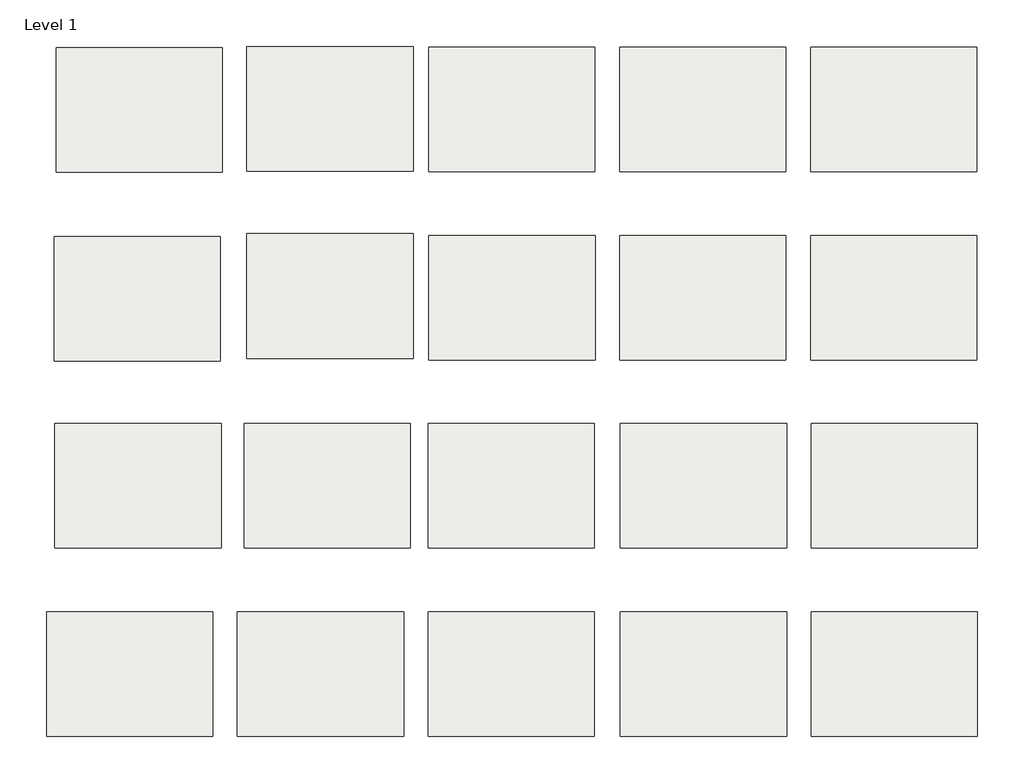
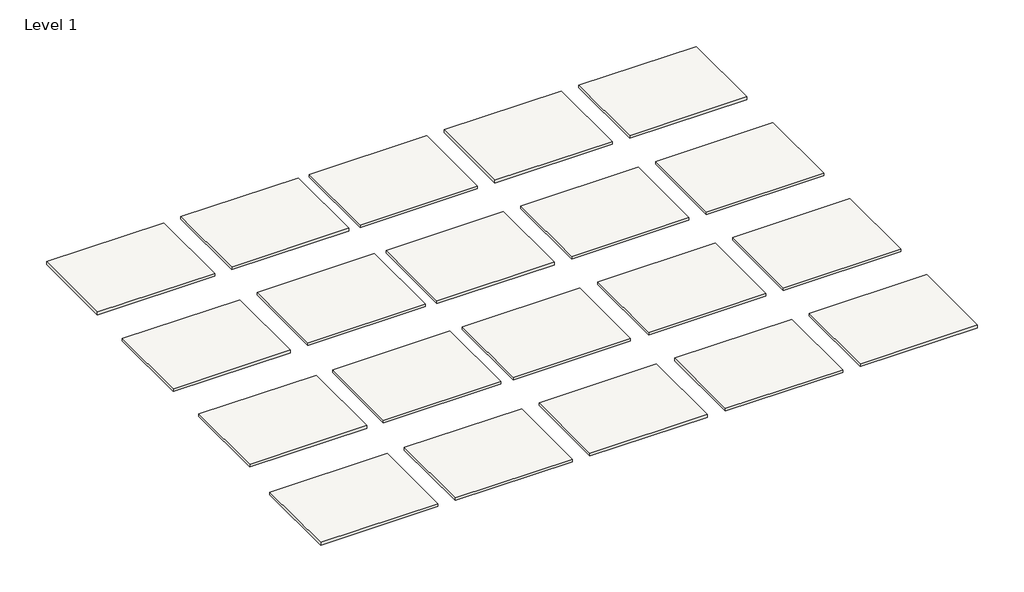
# One storey: 20 slabs.
"""IFC4 building model written with IfcOpenShell, lengths in millimetres."""

from ifc_helpers import new_model, si_unit, frame, origin, place, context, project, spatial, polyline, outline, extrude, element, save

model = new_model("IFC4")

# Units and contexts
model_context = context("Model", 3, world=origin())
ifc_project = project(units=[si_unit("LENGTHUNIT", "METRE", prefix="MILLI")], contexts=[model_context])

# Site, building, storey
site = spatial("IfcSite", under=ifc_project)
building = spatial("IfcBuilding", under=site)
storey = spatial("IfcBuildingStorey", under=building, Name="Level 1", Elevation=0.0)

# Slabs
placement = place(None, origin())
element("IfcSlab", 1, at=placement, inside=storey, context=model_context, shape_type="SweptSolid", body=[
    extrude(outline(polyline([(-8599.5428429, 6494.6866236), (-8599.5428429, 6189.8866236), (-9005.9428429, 6189.8866236), (-9005.9428429, 6494.6866236), (-8599.5428429, 6494.6866236)])), frame((0.0, 0.0, -9.525), z_axis=(0.0, 0.0, 1.0), x_axis=(1.0, 0.0, 0.0)), (0.0, 0.0, 1.0), 9.525),
])
element("IfcSlab", 2, at=placement, inside=storey, context=model_context, shape_type="SweptSolid", body=[
    extrude(outline(polyline([(-8132.7664205, 6497.8102011), (-8132.7664205, 6193.0102011), (-8539.1664205, 6193.0102011), (-8539.1664205, 6497.8102011), (-8132.7664205, 6497.8102011)])), frame((0.0, 0.0, -9.525), z_axis=(0.0, 0.0, 1.0), x_axis=(1.0, 0.0, 0.0)), (0.0, 0.0, 1.0), 9.525),
])
element("IfcSlab", 3, at=placement, inside=storey, context=model_context, shape_type="SweptSolid", body=[
    extrude(outline(polyline([(-7687.9064635, 6496.2484123), (-7687.9064635, 6191.4484123), (-8094.3064635, 6191.4484123), (-8094.3064635, 6496.2484123), (-7687.9064635, 6496.2484123)])), frame((0.0, 0.0, -9.525), z_axis=(0.0, 0.0, 1.0), x_axis=(1.0, 0.0, 0.0)), (0.0, 0.0, 1.0), 9.525),
])
element("IfcSlab", 4, at=placement, inside=storey, context=model_context, shape_type="SweptSolid", body=[
    extrude(outline(polyline([(-7221.1814635, 6496.2484123), (-7221.1814635, 6191.4484123), (-7627.5814635, 6191.4484123), (-7627.5814635, 6496.2484123), (-7221.1814635, 6496.2484123)])), frame((0.0, 0.0, -9.525), z_axis=(0.0, 0.0, 1.0), x_axis=(1.0, 0.0, 0.0)), (0.0, 0.0, 1.0), 9.525),
])
element("IfcSlab", 5, at=placement, inside=storey, context=model_context, shape_type="SweptSolid", body=[
    extrude(outline(polyline([(-6754.4564635, 6496.2484123), (-6754.4564635, 6191.4484123), (-7160.8564635, 6191.4484123), (-7160.8564635, 6496.2484123), (-6754.4564635, 6496.2484123)])), frame((0.0, 0.0, -9.525), z_axis=(0.0, 0.0, 1.0), x_axis=(1.0, 0.0, 0.0)), (0.0, 0.0, 1.0), 9.525),
])
element("IfcSlab", 6, at=placement, inside=storey, context=model_context, shape_type="SweptSolid", body=[
    extrude(outline(polyline([(-8603.8023039, 6032.5116806), (-8603.8023039, 5727.7116806), (-9010.2023039, 5727.7116806), (-9010.2023039, 6032.5116806), (-8603.8023039, 6032.5116806)])), frame((0.0, 0.0, -9.525), z_axis=(0.0, 0.0, 1.0), x_axis=(1.0, 0.0, 0.0)), (0.0, 0.0, 1.0), 9.525),
])
element("IfcSlab", 7, at=placement, inside=storey, context=model_context, shape_type="SweptSolid", body=[
    extrude(outline(polyline([(-8132.8754025, 6039.699991), (-8132.8754025, 5734.899991), (-8539.2754025, 5734.899991), (-8539.2754025, 6039.699991), (-8132.8754025, 6039.699991)])), frame((0.0, 0.0, -9.525), z_axis=(0.0, 0.0, 1.0), x_axis=(1.0, 0.0, 0.0)), (0.0, 0.0, 1.0), 9.525),
])
element("IfcSlab", 8, at=placement, inside=storey, context=model_context, shape_type="SweptSolid", body=[
    extrude(outline(polyline([(-7687.7153335, 6035.5923851), (-7687.7153335, 5730.7923851), (-8094.1153335, 5730.7923851), (-8094.1153335, 6035.5923851), (-7687.7153335, 6035.5923851)])), frame((0.0, 0.0, -9.525), z_axis=(0.0, 0.0, 1.0), x_axis=(1.0, 0.0, 0.0)), (0.0, 0.0, 1.0), 9.525),
])
element("IfcSlab", 9, at=placement, inside=storey, context=model_context, shape_type="SweptSolid", body=[
    extrude(outline(polyline([(-7220.9903335, 6035.5923851), (-7220.9903335, 5730.7923851), (-7627.3903335, 5730.7923851), (-7627.3903335, 6035.5923851), (-7220.9903335, 6035.5923851)])), frame((0.0, 0.0, -9.525), z_axis=(0.0, 0.0, 1.0), x_axis=(1.0, 0.0, 0.0)), (0.0, 0.0, 1.0), 9.525),
])
element("IfcSlab", 10, at=placement, inside=storey, context=model_context, shape_type="SweptSolid", body=[
    extrude(outline(polyline([(-6754.2653335, 6035.5923851), (-6754.2653335, 5730.7923851), (-7160.6653335, 5730.7923851), (-7160.6653335, 6035.5923851), (-6754.2653335, 6035.5923851)])), frame((0.0, 0.0, -9.525), z_axis=(0.0, 0.0, 1.0), x_axis=(1.0, 0.0, 0.0)), (0.0, 0.0, 1.0), 9.525),
])
element("IfcSlab", 11, at=placement, inside=storey, context=model_context, shape_type="SweptSolid", body=[
    extrude(outline(polyline([(-8602.394188, 5575.6556004), (-8602.394188, 5270.8556004), (-9008.794188, 5270.8556004), (-9008.794188, 5575.6556004), (-8602.394188, 5575.6556004)])), frame((0.0, 0.0, -9.525), z_axis=(0.0, 0.0, 1.0), x_axis=(1.0, 0.0, 0.0)), (0.0, 0.0, 1.0), 9.525),
])
element("IfcSlab", 12, at=placement, inside=storey, context=model_context, shape_type="SweptSolid", body=[
    extrude(outline(polyline([(-8139.2119981, 5575.6556004), (-8139.2119981, 5270.8556004), (-8545.6119981, 5270.8556004), (-8545.6119981, 5575.6556004), (-8139.2119981, 5575.6556004)])), frame((0.0, 0.0, -9.525), z_axis=(0.0, 0.0, 1.0), x_axis=(1.0, 0.0, 0.0)), (0.0, 0.0, 1.0), 9.525),
])
element("IfcSlab", 13, at=placement, inside=storey, context=model_context, shape_type="SweptSolid", body=[
    extrude(outline(polyline([(-7689.4072986, 5575.6556004), (-7689.4072986, 5270.8556004), (-8095.8072986, 5270.8556004), (-8095.8072986, 5575.6556004), (-7689.4072986, 5575.6556004)])), frame((0.0, 0.0, -9.525), z_axis=(0.0, 0.0, 1.0), x_axis=(1.0, 0.0, 0.0)), (0.0, 0.0, 1.0), 9.525),
])
element("IfcSlab", 14, at=placement, inside=storey, context=model_context, shape_type="SweptSolid", body=[
    extrude(outline(polyline([(-7219.5072986, 5575.6556004), (-7219.5072986, 5270.8556004), (-7625.9072986, 5270.8556004), (-7625.9072986, 5575.6556004), (-7219.5072986, 5575.6556004)])), frame((0.0, 0.0, -9.525), z_axis=(0.0, 0.0, 1.0), x_axis=(1.0, 0.0, 0.0)), (0.0, 0.0, 1.0), 9.525),
])
element("IfcSlab", 15, at=placement, inside=storey, context=model_context, shape_type="SweptSolid", body=[
    extrude(outline(polyline([(-6752.7822986, 5575.6556004), (-6752.7822986, 5270.8556004), (-7159.1822986, 5270.8556004), (-7159.1822986, 5575.6556004), (-6752.7822986, 5575.6556004)])), frame((0.0, 0.0, -9.525), z_axis=(0.0, 0.0, 1.0), x_axis=(1.0, 0.0, 0.0)), (0.0, 0.0, 1.0), 9.525),
])
element("IfcSlab", 16, at=placement, inside=storey, context=model_context, shape_type="SweptSolid", body=[
    extrude(outline(polyline([(-8622.6661686, 5114.9995731), (-8622.6661686, 4810.1995731), (-9029.0661686, 4810.1995731), (-9029.0661686, 5114.9995731), (-8622.6661686, 5114.9995731)])), frame((0.0, 0.0, -9.525), z_axis=(0.0, 0.0, 1.0), x_axis=(1.0, 0.0, 0.0)), (0.0, 0.0, 1.0), 9.525),
])
element("IfcSlab", 17, at=placement, inside=storey, context=model_context, shape_type="SweptSolid", body=[
    extrude(outline(polyline([(-8155.9411686, 5114.9995731), (-8155.9411686, 4810.1995731), (-8562.3411686, 4810.1995731), (-8562.3411686, 5114.9995731), (-8155.9411686, 5114.9995731)])), frame((0.0, 0.0, -9.525), z_axis=(0.0, 0.0, 1.0), x_axis=(1.0, 0.0, 0.0)), (0.0, 0.0, 1.0), 9.525),
])
element("IfcSlab", 18, at=placement, inside=storey, context=model_context, shape_type="SweptSolid", body=[
    extrude(outline(polyline([(-7689.2161686, 5114.9995731), (-7689.2161686, 4810.1995731), (-8095.6161686, 4810.1995731), (-8095.6161686, 5114.9995731), (-7689.2161686, 5114.9995731)])), frame((0.0, 0.0, -9.525), z_axis=(0.0, 0.0, 1.0), x_axis=(1.0, 0.0, 0.0)), (0.0, 0.0, 1.0), 9.525),
])
element("IfcSlab", 19, at=placement, inside=storey, context=model_context, shape_type="SweptSolid", body=[
    extrude(outline(polyline([(-7219.3161686, 5114.9995731), (-7219.3161686, 4810.1995731), (-7625.7161686, 4810.1995731), (-7625.7161686, 5114.9995731), (-7219.3161686, 5114.9995731)])), frame((0.0, 0.0, -9.525), z_axis=(0.0, 0.0, 1.0), x_axis=(1.0, 0.0, 0.0)), (0.0, 0.0, 1.0), 9.525),
])
element("IfcSlab", 20, at=placement, inside=storey, context=model_context, shape_type="SweptSolid", body=[
    extrude(outline(polyline([(-6752.5911686, 5114.9995731), (-6752.5911686, 4810.1995731), (-7158.9911686, 4810.1995731), (-7158.9911686, 5114.9995731), (-6752.5911686, 5114.9995731)])), frame((0.0, 0.0, -9.525), z_axis=(0.0, 0.0, 1.0), x_axis=(1.0, 0.0, 0.0)), (0.0, 0.0, 1.0), 9.525),
])

save(model, "model.ifc")
